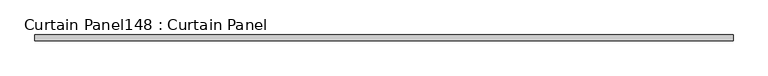
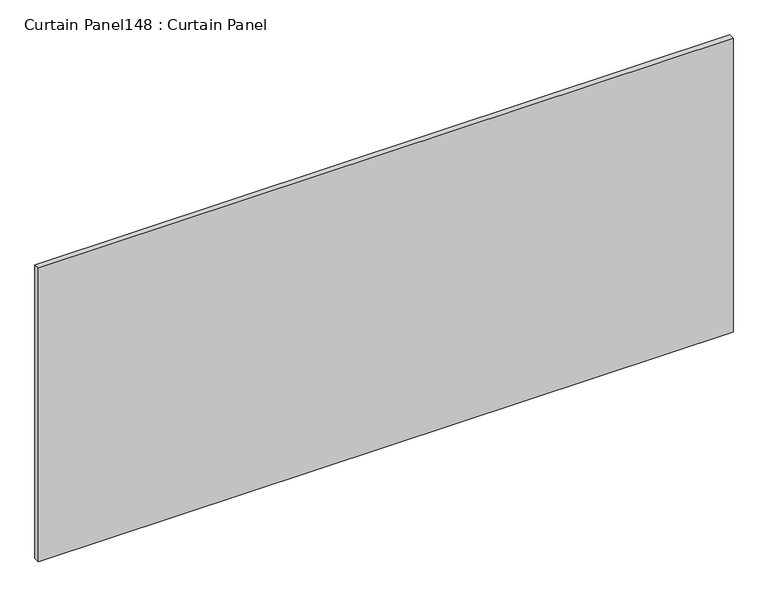
"""IFC4 building model written with IfcOpenShell, lengths in millimetres: plate geometry, Curtain Panel148 : Curtain Panel."""

from ifc_helpers import new_model, si_unit, frame, origin, place, context, project, spatial, polyline, outline, extrude, source, transform, mapped, element, save


def curtain_panel148_curtain_panel_dc165cd7(model_context):
    return source(origin(), model_context, "Body", "SweptSolid", [
        extrude(outline(polyline([(390583.8312536, 2305.3839321), (387535.8312536, 2305.3839321), (387535.8312536, 2330.7839321), (390583.8312536, 2330.7839321), (390583.8312536, 2305.3839321)])), frame((0.0, 0.0, 7019.7548754), z_axis=(0.0, 0.0, 1.0), x_axis=(1.0, 0.0, 0.0)), (0.0, 0.0, 1.0), 1362.5198898),
    ])


if __name__ == "__main__":
    model = new_model("IFC4")
    model_context = context("Model", 3, world=origin())
    ifc_project = project(units=[si_unit("LENGTHUNIT", "METRE", prefix="MILLI")], contexts=[model_context])
    site = spatial("IfcSite", under=ifc_project)
    building = spatial("IfcBuilding", under=site)
    placement = place(None, origin())
    curtain_panel148_curtain_panel_shape = curtain_panel148_curtain_panel_dc165cd7(model_context)
    element("IfcPlate", 1, ObjectType="Curtain Panel148 : Curtain Panel", at=placement, inside=building, context=model_context, shape_type="MappedRepresentation", body=[
        mapped(curtain_panel148_curtain_panel_shape, transform((0.0, 0.0, 0.0), x_axis=(1.0, 0.0, 0.0), y_axis=(0.0, 1.0, 0.0), z_axis=(0.0, 0.0, 1.0))),
    ])
    save(model, "model.ifc")
